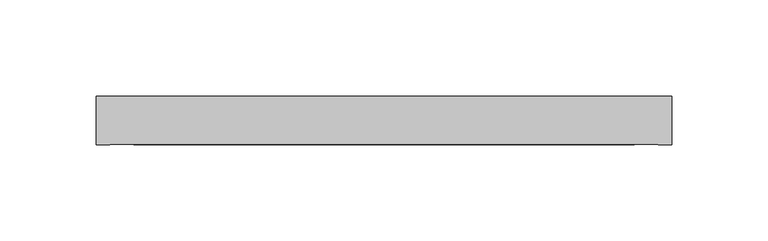
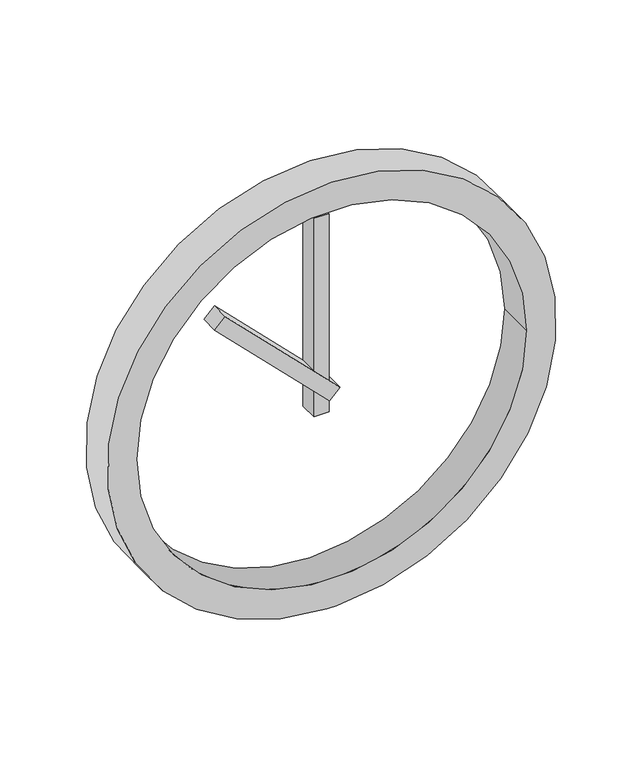
"""IFC4 building model written with IfcOpenShell, lengths in millimetres: proxy geometry."""

from ifc_helpers import new_model, si_unit, point, frame, frame_2d, origin, place, context, project, spatial, polyline, circle_curve, trimmed, segment, composite_curve, outline, extrude, source, transform, mapped, element, save


def specialty_equipment_78823f99(model_context):
    return source(origin(), model_context, "Body", "SweptSolid", [
        extrude(outline(polyline([(0.0, -108.2228968), (0.0, 0.0), (12.5, 0.0), (12.5, -108.2228968), (0.0, -108.2228968)])), frame((-70.9546902, 12.5, 2562.8279928), z_axis=(0.7071067811865438, 0.0, 0.7071067811865515), x_axis=(0.0, 1.0, 0.0)), (0.0, 0.0, 1.0), 10.0),
        extrude(outline(polyline([(5.3695715, 12.5), (-4.6304285, 12.5), (-4.6304285, 25.0), (5.3695715, 25.0), (5.3695715, 12.5)])), frame((0.0, 0.0, 2478.4134772), z_axis=(0.0, 0.0, 1.0), x_axis=(1.0, 0.0, 0.0)), (0.0, 0.0, 1.0), 140.0),
        extrude(outline(composite_curve([segment(polyline([(2350.0334875, -3.1694062), (2350.0334875, 3.1694062)]), True, "CONTINUOUS"), segment(trimmed(circle_curve(frame_2d((2500.0, 0.0)), 150.0), [point((2350.0334875, 3.1694062))], [point((2350.0334875, -3.1694062))], False, "CARTESIAN"), True, "CONTINUOUS")], self_intersect=False), holes=[composite_curve([segment(trimmed(circle_curve(frame_2d((2500.0, 0.0)), 130.0), [point((2500.0, -130.0))], [point((2500.0, 130.0))], True, "CARTESIAN"), True, "CONTINUOUS"), segment(trimmed(circle_curve(frame_2d((2500.0, 0.0)), 130.0), [point((2500.0, 130.0))], [point((2500.0, -130.0))], True, "CARTESIAN"), True, "CONTINUOUS")], self_intersect=False)]), frame((0.0, 0.0, 0.0), z_axis=(0.0, 1.0, 0.0), x_axis=(0.0, 0.0, 1.0)), (0.0, 0.0, 1.0), 25.0),
    ])


if __name__ == "__main__":
    model = new_model("IFC4")
    model_context = context("Model", 3, world=origin())
    ifc_project = project(units=[si_unit("LENGTHUNIT", "METRE", prefix="MILLI")], contexts=[model_context])
    site = spatial("IfcSite", under=ifc_project)
    building = spatial("IfcBuilding", under=site)
    placement = place(None, origin())
    specialty_equipment_shape = specialty_equipment_78823f99(model_context)
    element("IfcBuildingElementProxy", 1, Name="Specialty Equipment", at=placement, inside=building, context=model_context, shape_type="MappedRepresentation", body=[
        mapped(specialty_equipment_shape, transform((0.0, 0.0, 0.0), x_axis=(1.0, 0.0, 0.0), y_axis=(0.0, 1.0, 0.0), z_axis=(0.0, 0.0, 1.0))),
    ])
    save(model, "model.ifc")
